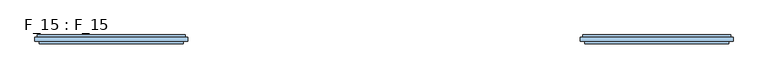
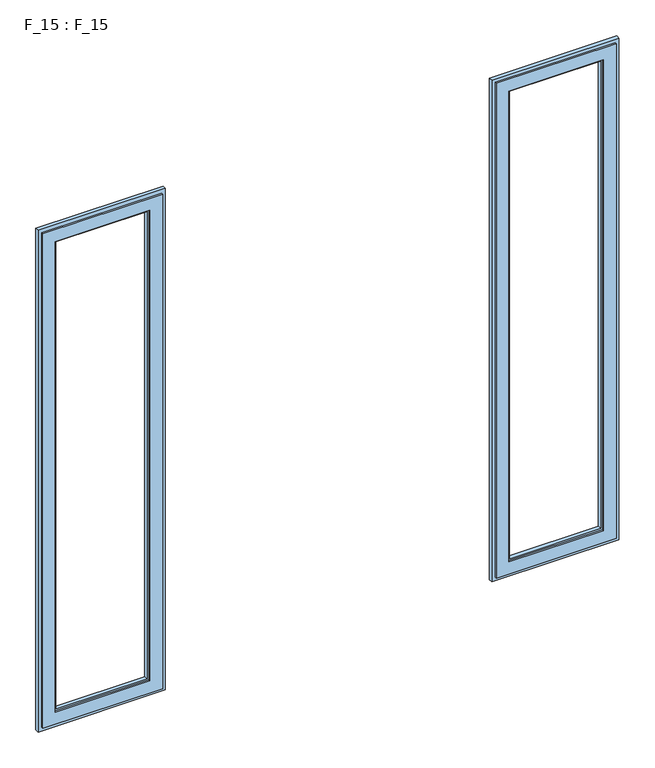
"""IFC4 building model written with IfcOpenShell, lengths in millimetres: window geometry, F_15 : F_15."""

from ifc_helpers import new_model, si_unit, origin, place, context, project, spatial, faceted_brep, source, transform, mapped, element, save


def f_15_f_15_eeb70105(model_context):
    return source(origin(), model_context, "Body", "Brep", [
        faceted_brep([(790.0000003, 40.0, 900.0), (459.9999997, 40.0, 900.0), (459.9999997, 45.0, 900.0), (790.0000003, 45.0, 900.0), (459.9999997, 40.0, 2340.0000007), (459.9999997, 45.0, 2340.0000007), (449.9999997, 45.0, 2350.0000007), (449.9999997, 45.0, 890.0), (800.0000003, 45.0, 890.0), (800.0000003, 45.0, 2350.0000007), (790.0000003, 45.0, 2340.0000007), (790.0000003, 40.0, 2340.0000007), (494.9999997, 40.0, 935.0), (494.9999997, 40.0, 2305.0000007), (755.0000003, 40.0, 2305.0000007), (755.0000003, 40.0, 935.0), (755.0000003, 45.0, 935.0), (494.9999997, 45.0, 935.0), (494.9999997, 45.0, 2305.0000007), (755.0000003, 45.0, 2305.0000007), (499.9999997, 45.0, 940.0), (499.9999997, 45.0, 2300.0000007), (750.0000003, 45.0, 2300.0000007), (750.0000003, 45.0, 940.0), (750.0000003, 55.0, 940.0), (499.9999997, 55.0, 940.0), (499.9999997, 55.0, 2300.0000007), (494.9999997, 55.0, 935.0), (494.9999997, 55.0, 2305.0000007), (755.0000003, 55.0, 2305.0000007), (755.0000003, 55.0, 935.0), (750.0000003, 55.0, 2300.0000007), (755.0000003, 60.0, 935.0), (494.9999997, 60.0, 935.0), (494.9999997, 60.0, 2305.0000007), (454.9999997, 60.0, 895.0), (454.9999997, 60.0, 2345.0000007), (795.0000003, 60.0, 2345.0000007), (795.0000003, 60.0, 895.0), (755.0000003, 60.0, 2305.0000007), (795.0000003, 55.0, 895.0), (454.9999997, 55.0, 895.0), (454.9999997, 55.0, 2345.0000007), (449.9999997, 55.0, 890.0), (449.9999997, 55.0, 2350.0000007), (800.0000003, 55.0, 2350.0000007), (800.0000003, 55.0, 890.0), (795.0000003, 55.0, 2345.0000007)], [[[0, 1, 2, 3]], [[1, 4, 5, 2]], [[6, 7, 8, 9], [2, 5, 10, 3]], [[4, 1, 0, 11], [12, 13, 14, 15]], [[16, 17, 12, 15]], [[17, 18, 13, 12]], [[18, 17, 16, 19], [20, 21, 22, 23]], [[24, 25, 20, 23]], [[25, 26, 21, 20]], [[27, 28, 29, 30], [26, 25, 24, 31]], [[32, 33, 27, 30]], [[33, 34, 28, 27]], [[35, 36, 37, 38], [34, 33, 32, 39]], [[40, 41, 35, 38]], [[41, 42, 36, 35]], [[43, 44, 45, 46], [42, 41, 40, 47]], [[8, 7, 43, 46]], [[7, 6, 44, 43]], [[11, 0, 3, 10]], [[19, 16, 15, 14]], [[31, 24, 23, 22]], [[39, 32, 30, 29]], [[47, 40, 38, 37]], [[9, 8, 46, 45]], [[4, 11, 10, 5]], [[18, 19, 14, 13]], [[34, 39, 29, 28]], [[42, 47, 37, 36]], [[6, 9, 45, 44]], [[26, 31, 22, 21]]]),
        faceted_brep([(-790.0000003, 45.0, 900.0), (-459.9999997, 45.0, 900.0), (-459.9999997, 40.0, 900.0), (-790.0000003, 40.0, 900.0), (-459.9999997, 45.0, 2340.0000007), (-459.9999997, 40.0, 2340.0000007), (-790.0000003, 40.0, 2340.0000007), (-494.9999997, 40.0, 2305.0000007), (-494.9999997, 40.0, 935.0), (-755.0000003, 40.0, 935.0), (-755.0000003, 40.0, 2305.0000007), (-449.9999997, 45.0, 890.0), (-449.9999997, 45.0, 2350.0000007), (-800.0000003, 45.0, 2350.0000007), (-800.0000003, 45.0, 890.0), (-790.0000003, 45.0, 2340.0000007), (-494.9999997, 45.0, 935.0), (-755.0000003, 45.0, 935.0), (-494.9999997, 45.0, 2305.0000007), (-755.0000003, 45.0, 2305.0000007), (-499.9999997, 45.0, 2300.0000007), (-499.9999997, 45.0, 940.0), (-750.0000003, 45.0, 940.0), (-750.0000003, 45.0, 2300.0000007), (-499.9999997, 55.0, 940.0), (-750.0000003, 55.0, 940.0), (-499.9999997, 55.0, 2300.0000007), (-494.9999997, 55.0, 2305.0000007), (-494.9999997, 55.0, 935.0), (-755.0000003, 55.0, 935.0), (-755.0000003, 55.0, 2305.0000007), (-750.0000003, 55.0, 2300.0000007), (-494.9999997, 60.0, 935.0), (-755.0000003, 60.0, 935.0), (-494.9999997, 60.0, 2305.0000007), (-454.9999997, 60.0, 2345.0000007), (-454.9999997, 60.0, 895.0), (-795.0000003, 60.0, 895.0), (-795.0000003, 60.0, 2345.0000007), (-755.0000003, 60.0, 2305.0000007), (-454.9999997, 55.0, 895.0), (-795.0000003, 55.0, 895.0), (-454.9999997, 55.0, 2345.0000007), (-449.9999997, 55.0, 2350.0000007), (-449.9999997, 55.0, 890.0), (-800.0000003, 55.0, 890.0), (-800.0000003, 55.0, 2350.0000007), (-795.0000003, 55.0, 2345.0000007)], [[[0, 1, 2, 3]], [[1, 4, 5, 2]], [[2, 5, 6, 3], [7, 8, 9, 10]], [[11, 12, 13, 14], [4, 1, 0, 15]], [[9, 8, 16, 17]], [[8, 7, 18, 16]], [[16, 18, 19, 17], [20, 21, 22, 23]], [[22, 21, 24, 25]], [[21, 20, 26, 24]], [[27, 28, 29, 30], [24, 26, 31, 25]], [[29, 28, 32, 33]], [[28, 27, 34, 32]], [[35, 36, 37, 38], [32, 34, 39, 33]], [[37, 36, 40, 41]], [[36, 35, 42, 40]], [[43, 44, 45, 46], [40, 42, 47, 41]], [[45, 44, 11, 14]], [[44, 43, 12, 11]], [[15, 0, 3, 6]], [[10, 9, 17, 19]], [[23, 22, 25, 31]], [[30, 29, 33, 39]], [[38, 37, 41, 47]], [[46, 45, 14, 13]], [[4, 15, 6, 5]], [[7, 10, 19, 18]], [[27, 30, 39, 34]], [[35, 38, 47, 42]], [[43, 46, 13, 12]], [[20, 23, 31, 26]]]),
    ])


if __name__ == "__main__":
    model = new_model("IFC4")
    model_context = context("Model", 3, world=origin())
    ifc_project = project(units=[si_unit("LENGTHUNIT", "METRE", prefix="MILLI")], contexts=[model_context])
    site = spatial("IfcSite", under=ifc_project)
    building = spatial("IfcBuilding", under=site)
    placement = place(None, origin())
    f_15_f_15_shape = f_15_f_15_eeb70105(model_context)
    element("IfcWindow", 1, ObjectType="F_15 : F_15", at=placement, inside=building, context=model_context, shape_type="MappedRepresentation", body=[
        mapped(f_15_f_15_shape, transform((0.0, 0.0, 0.0), x_axis=(1.0, 0.0, 0.0), y_axis=(0.0, 1.0, 0.0), z_axis=(0.0, 0.0, 1.0))),
    ])
    save(model, "model.ifc")
